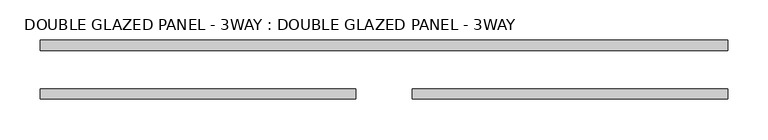
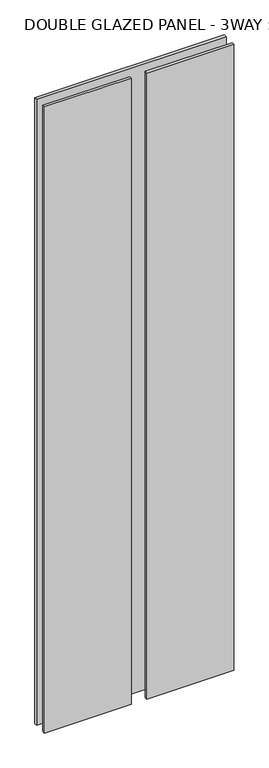
"""IFC4 building model written with IfcOpenShell, lengths in millimetres: plate geometry, DOUBLE GLAZED PANEL - 3WAY : DOUBLE GLAZED PANEL - 3WAY."""

import ifcopenshell
import ifcopenshell.guid

model = None  # the IFC model being written
_history = None  # IfcOwnerHistory: only IFC2X3 demands one
_inside = {}  # id of a spatial element -> (the spatial element, [elements in it])
_under = {}  # id of a project, library or spatial element -> (it, [spatial elements below it])
_declared = {}  # id of a project -> (the project, [libraries it declares])
_typed = {}  # id of a type object -> (the type object, [elements of that type])
_made_of = {}  # id of a material, layer set ... -> (it, [elements and type objects made of it])


def new_model(schema):
    """Start an empty IFC model of exactly this schema.

    Asked for "IFC4X3", IfcOpenShell would pick the latest addendum, in which some entities
    have other attributes; the version numbers below select the first issue.
    IFC2X3 requires an IfcOwnerHistory on every rooted entity: one is made here for all.
    """
    global model, _history
    if schema == "IFC4X3":
        model = ifcopenshell.file(schema_version=(4, 3, 0, 0))
    else:
        model = ifcopenshell.file(schema=schema)
    _inside.clear()
    _under.clear()
    _declared.clear()
    _typed.clear()
    _made_of.clear()
    _history = None
    if model.schema == "IFC2X3":
        org = make("IfcOrganization", Name="unknown")
        user = make(
            "IfcPersonAndOrganization",
            ThePerson=make("IfcPerson", FamilyName="unknown"),
            TheOrganization=org,
        )
        app = make(
            "IfcApplication",
            ApplicationDeveloper=org,
            Version="unknown",
            ApplicationFullName="unknown",
            ApplicationIdentifier="unknown",
        )
        _history = make(
            "IfcOwnerHistory",
            OwningUser=user,
            OwningApplication=app,
            ChangeAction="ADDED",
            CreationDate=0,
        )
    return model


def make(cls, **values):
    """One entity of the class cls with the attributes given. An attribute that is None is left unset."""
    return model.create_entity(
        cls, **{name: value for name, value in values.items() if value is not None}
    )


def rooted(cls, **values):
    """An entity with a GlobalId (a new one), such as an element, a storey or a relation."""
    return make(cls, GlobalId=ifcopenshell.guid.new(), OwnerHistory=_history, **values)


def si_unit(unit_type, name, prefix=None):
    """IfcSIUnit, for example si_unit("LENGTHUNIT", "METRE", prefix="MILLI")."""
    return make("IfcSIUnit", UnitType=unit_type, Prefix=prefix, Name=name)


def assignment(units):
    """IfcUnitAssignment: the units of a project."""
    return None if units is None else make("IfcUnitAssignment", Units=units)


def point(xyz):
    """IfcCartesianPoint."""
    return None if xyz is None else make("IfcCartesianPoint", Coordinates=xyz)


def direction(xyz):
    """IfcDirection."""
    return None if xyz is None else make("IfcDirection", DirectionRatios=xyz)


def frame(location, z_axis=None, x_axis=None):
    """IfcAxis2Placement3D, a coordinate frame: its origin and axes. An axis left out is left unset."""
    return make(
        "IfcAxis2Placement3D",
        Location=point(location),
        Axis=direction(z_axis),
        RefDirection=direction(x_axis),
    )


def origin():
    """The frame at (0, 0, 0) with its axes left unset."""
    return frame((0.0, 0.0, 0.0))


def origin_with_axes():
    """The frame at (0, 0, 0) with the z axis (0, 0, 1) and the x axis (1, 0, 0) written out."""
    return frame((0.0, 0.0, 0.0), z_axis=(0.0, 0.0, 1.0), x_axis=(1.0, 0.0, 0.0))


def place(relative_to, where):
    """IfcLocalPlacement: puts the frame where relative to a parent placement (None: the world)."""
    return make(
        "IfcLocalPlacement", PlacementRelTo=relative_to, RelativePlacement=where
    )


def context(
    kind, dimensions, precision=None, world=None, true_north=None, identifier=None
):
    """IfcGeometricRepresentationContext, for example the 3D "Model" context."""
    return make(
        "IfcGeometricRepresentationContext",
        ContextIdentifier=identifier,
        ContextType=kind,
        CoordinateSpaceDimension=dimensions,
        Precision=precision,
        WorldCoordinateSystem=world,
        TrueNorth=true_north,
    )


def project(units=None, contexts=None):
    """IfcProject with its units and contexts."""
    return rooted(
        "IfcProject",
        Name="project",
        RepresentationContexts=contexts,
        UnitsInContext=assignment(units),
    )


def spatial(cls, under=None, at=None, **own):
    """A site, building, storey or space (cls), placed at a placement, below another one or the project."""
    s = rooted(cls, ObjectPlacement=at, **own)
    if under is not None:
        _under.setdefault(under.id(), (under, []))[1].append(s)
    return s


def polyline(points):
    """IfcPolyline through the points."""
    return make("IfcPolyline", Points=[point(p) for p in points])


def outline(outer, holes=None, kind="AREA"):
    """IfcArbitraryClosedProfileDef: a profile drawn as a closed curve; with holes, ...WithVoids."""
    if holes is None:
        return make("IfcArbitraryClosedProfileDef", ProfileType=kind, OuterCurve=outer)
    return make(
        "IfcArbitraryProfileDefWithVoids",
        ProfileType=kind,
        OuterCurve=outer,
        InnerCurves=holes,
    )


def extrude(swept, where, along, depth):
    """IfcExtrudedAreaSolid: the profile swept, set in the frame where, extruded along a direction by depth."""
    return make(
        "IfcExtrudedAreaSolid",
        SweptArea=swept,
        Position=where,
        ExtrudedDirection=direction(along),
        Depth=depth,
    )


def shape(context_of_items, identifier, shape_type, items):
    """IfcShapeRepresentation: the items that make up one representation, for example the "Body"."""
    return make(
        "IfcShapeRepresentation",
        ContextOfItems=context_of_items,
        RepresentationIdentifier=identifier,
        RepresentationType=shape_type,
        Items=items,
    )


def source(mapping_origin, context_of_items, identifier, shape_type, items):
    """IfcRepresentationMap: a shape defined once, which mapped items show again and again."""
    return make(
        "IfcRepresentationMap",
        MappingOrigin=mapping_origin,
        MappedRepresentation=shape(context_of_items, identifier, shape_type, items),
    )


def transform(
    local_origin,
    x_axis=None,
    y_axis=None,
    z_axis=None,
    scale=None,
    scale2=None,
    scale3=None,
    uniform=True,
):
    """IfcCartesianTransformationOperator3D, or its non-uniform kind. x_axis, y_axis, z_axis: its Axis1, 2, 3."""
    if uniform:
        return make(
            "IfcCartesianTransformationOperator3D",
            Axis1=direction(x_axis),
            Axis2=direction(y_axis),
            LocalOrigin=point(local_origin),
            Scale=scale,
            Axis3=direction(z_axis),
        )
    return make(
        "IfcCartesianTransformationOperator3DnonUniform",
        Axis1=direction(x_axis),
        Axis2=direction(y_axis),
        LocalOrigin=point(local_origin),
        Scale=scale,
        Axis3=direction(z_axis),
        Scale2=scale2,
        Scale3=scale3,
    )


def mapped(mapping_source, mapping_target):
    """IfcMappedItem: shows the shape of a source again, moved by a transform."""
    return make(
        "IfcMappedItem", MappingSource=mapping_source, MappingTarget=mapping_target
    )


def made_of(thing, what):
    """Note that an element or type object is made of a material, layer set ...; save() writes the relation."""
    if what is not None:
        _made_of.setdefault(what.id(), (what, []))[1].append(thing)
    return thing


def element(
    cls,
    number,
    at=None,
    inside=None,
    cuts=None,
    type_object=None,
    material=None,
    context=None,
    identifier="Body",
    shape_type=None,
    held_by="IfcProductDefinitionShape",
    body=None,
    shapes=None,
    **own,
):
    """One element of the class cls, such as IfcWall. Its Tag is "e" and its number.

    at: its placement. inside: the storey or other place that contains it. cuts: it is an
    opening in that element (IfcRelVoidsElement). A single representation is given by context,
    identifier, shape_type and body (its items); several are given by shapes. held_by: the class
    of the entity that holds the representations. save() writes the other relations.
    """
    e = rooted(cls, Tag="e%d" % number, ObjectPlacement=at, **own)
    if body is not None:
        shapes = [shape(context, identifier, shape_type, body)]
    if shapes is not None:
        e.Representation = make(held_by, Representations=shapes)
    if inside is not None:
        _inside.setdefault(inside.id(), (inside, []))[1].append(e)
    if cuts is not None:
        rooted(
            "IfcRelVoidsElement", RelatingBuildingElement=cuts, RelatedOpeningElement=e
        )
    if type_object is not None:
        _typed.setdefault(type_object.id(), (type_object, []))[1].append(e)
    return made_of(e, material)


def aggregate(whole, parts):
    """IfcRelAggregates: a whole, such as a stair, and the parts it consists of."""
    return rooted("IfcRelAggregates", RelatingObject=whole, RelatedObjects=parts)


def save(model, path):
    """Write the relations noted so far, then the file.

    IfcRelAggregates (storeys below a building ...), IfcRelContainedInSpatialStructure (elements
    in a storey), IfcRelDefinesByType, IfcRelAssociatesMaterial and IfcRelDeclares: one each for
    every whole, place, type object, material and project.
    """
    for whole, parts in _under.values():
        aggregate(whole, parts)
    for where, things in _inside.values():
        rooted(
            "IfcRelContainedInSpatialStructure",
            RelatedElements=things,
            RelatingStructure=where,
        )
    for kind, things in _typed.values():
        rooted("IfcRelDefinesByType", RelatedObjects=things, RelatingType=kind)
    for what, things in _made_of.values():
        rooted("IfcRelAssociatesMaterial", RelatedObjects=things, RelatingMaterial=what)
    for by, libraries in _declared.values():
        rooted("IfcRelDeclares", RelatingContext=by, RelatedDefinitions=libraries)
    model.write(path)


def double_glazed_panel_3way_double_glazed_panel_3way_a6c0e7ca(model_context):
    return source(origin(), model_context, "Body", "SweptSolid", [
        extrude(outline(polyline([(-34.925, 6.35), (-34.925, -6.35), (-425.45, -6.35), (-425.45, 6.35), (-34.925, 6.35)])), origin_with_axes(), (0.0, 0.0, 1.0), 2971.8),
        extrude(outline(polyline([(34.925, -6.35), (34.925, 6.35), (425.45, 6.35), (425.45, -6.35), (34.925, -6.35)])), origin_with_axes(), (0.0, 0.0, 1.0), 2971.8),
        extrude(outline(polyline([(425.45, 66.675), (425.45, 53.975), (-425.45, 53.975), (-425.45, 66.675), (425.45, 66.675)])), origin_with_axes(), (0.0, 0.0, 1.0), 2971.8),
    ])


if __name__ == "__main__":
    model = new_model("IFC4")
    model_context = context("Model", 3, world=origin())
    ifc_project = project(units=[si_unit("LENGTHUNIT", "METRE", prefix="MILLI")], contexts=[model_context])
    site = spatial("IfcSite", under=ifc_project)
    building = spatial("IfcBuilding", under=site)
    placement = place(None, origin())
    double_glazed_panel_3way_double_glazed_panel_3way_shape = double_glazed_panel_3way_double_glazed_panel_3way_a6c0e7ca(model_context)
    element("IfcPlate", 1, ObjectType="DOUBLE GLAZED PANEL - 3WAY : DOUBLE GLAZED PANEL - 3WAY", at=placement, inside=building, context=model_context, shape_type="MappedRepresentation", body=[
        mapped(double_glazed_panel_3way_double_glazed_panel_3way_shape, transform((0.0, 0.0, 0.0), x_axis=(1.0, 0.0, 0.0), y_axis=(0.0, 1.0, 0.0), z_axis=(0.0, 0.0, 1.0))),
    ])
    save(model, "model.ifc")
